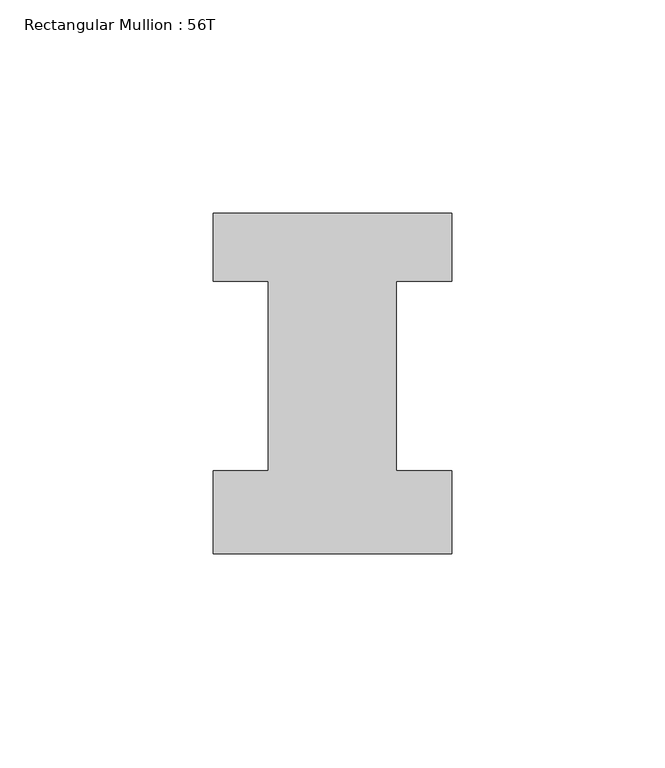
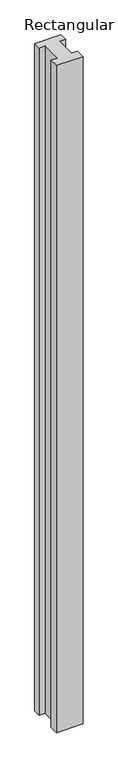
"""IFC4 building model written with IfcOpenShell, lengths in millimetres: member geometry, Rectangular Mullion : 56T."""

from ifc_helpers import new_model, si_unit, frame, origin, place, context, project, spatial, polyline, outline, extrude, source, transform, mapped, element, save


def rectangular_mullion_56t_85020668(model_context):
    return source(origin(), model_context, "Body", "SweptSolid", [
        extrude(outline(polyline([(28.0, -20.0), (-28.0, -20.0), (-28.0, -0.5), (-15.0, -0.5), (-15.0, 44.0), (-28.0, 44.0), (-28.0, 60.0), (28.0, 60.0), (28.0, 44.0), (15.0, 44.0), (15.0, -0.5), (28.0, -0.5), (28.0, -20.0)])), frame((0.0, 0.0, -1494.0), z_axis=(0.0, 0.0, 1.0), x_axis=(1.0, 0.0, 0.0)), (0.0, 0.0, 1.0), 1494.0),
    ])


if __name__ == "__main__":
    model = new_model("IFC4")
    model_context = context("Model", 3, world=origin())
    ifc_project = project(units=[si_unit("LENGTHUNIT", "METRE", prefix="MILLI")], contexts=[model_context])
    site = spatial("IfcSite", under=ifc_project)
    building = spatial("IfcBuilding", under=site)
    placement = place(None, origin())
    rectangular_mullion_56t_shape = rectangular_mullion_56t_85020668(model_context)
    element("IfcMember", 1, ObjectType="Rectangular Mullion : 56T", at=placement, inside=building, context=model_context, shape_type="MappedRepresentation", body=[
        mapped(rectangular_mullion_56t_shape, transform((0.0, 0.0, 0.0), x_axis=(1.0, 0.0, 0.0), y_axis=(0.0, 1.0, 0.0), z_axis=(0.0, 0.0, 1.0))),
    ])
    save(model, "model.ifc")
